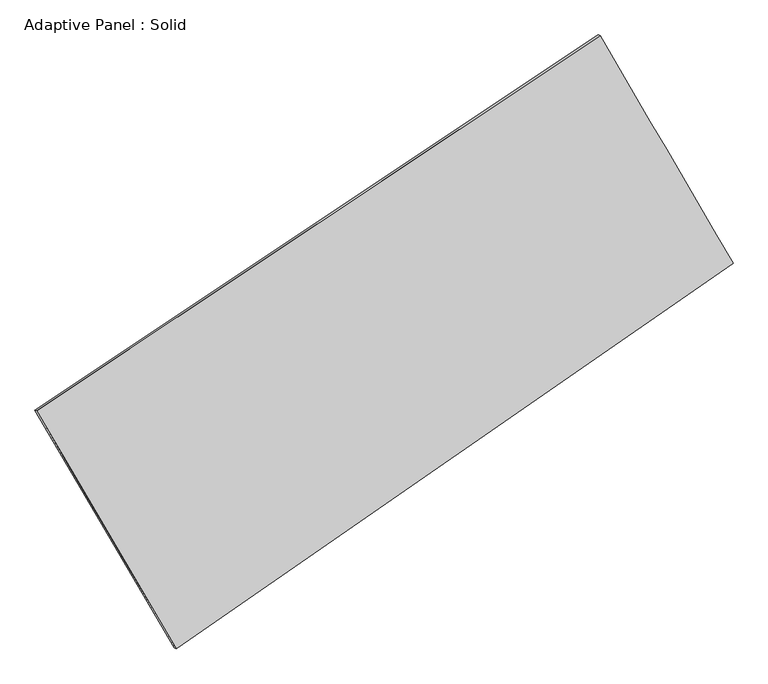
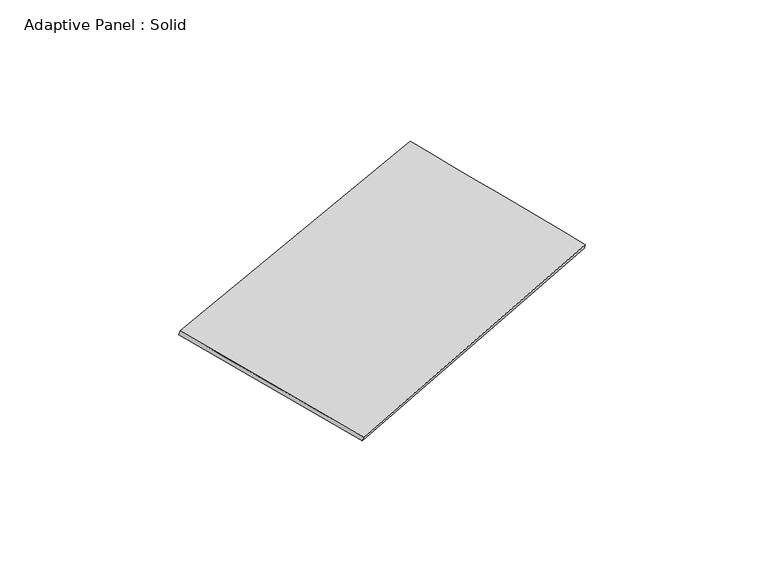
"""IFC4 building model written with IfcOpenShell, lengths in millimetres: plate geometry, Adaptive Panel : Solid."""

import ifcopenshell
import ifcopenshell.guid

model = None  # the IFC model being written
_history = None  # IfcOwnerHistory: only IFC2X3 demands one
_inside = {}  # id of a spatial element -> (the spatial element, [elements in it])
_under = {}  # id of a project, library or spatial element -> (it, [spatial elements below it])
_declared = {}  # id of a project -> (the project, [libraries it declares])
_typed = {}  # id of a type object -> (the type object, [elements of that type])
_made_of = {}  # id of a material, layer set ... -> (it, [elements and type objects made of it])


def new_model(schema):
    """Start an empty IFC model of exactly this schema.

    Asked for "IFC4X3", IfcOpenShell would pick the latest addendum, in which some entities
    have other attributes; the version numbers below select the first issue.
    IFC2X3 requires an IfcOwnerHistory on every rooted entity: one is made here for all.
    """
    global model, _history
    if schema == "IFC4X3":
        model = ifcopenshell.file(schema_version=(4, 3, 0, 0))
    else:
        model = ifcopenshell.file(schema=schema)
    _inside.clear()
    _under.clear()
    _declared.clear()
    _typed.clear()
    _made_of.clear()
    _history = None
    if model.schema == "IFC2X3":
        org = make("IfcOrganization", Name="unknown")
        user = make(
            "IfcPersonAndOrganization",
            ThePerson=make("IfcPerson", FamilyName="unknown"),
            TheOrganization=org,
        )
        app = make(
            "IfcApplication",
            ApplicationDeveloper=org,
            Version="unknown",
            ApplicationFullName="unknown",
            ApplicationIdentifier="unknown",
        )
        _history = make(
            "IfcOwnerHistory",
            OwningUser=user,
            OwningApplication=app,
            ChangeAction="ADDED",
            CreationDate=0,
        )
    return model


def make(cls, **values):
    """One entity of the class cls with the attributes given. An attribute that is None is left unset."""
    return model.create_entity(
        cls, **{name: value for name, value in values.items() if value is not None}
    )


def rooted(cls, **values):
    """An entity with a GlobalId (a new one), such as an element, a storey or a relation."""
    return make(cls, GlobalId=ifcopenshell.guid.new(), OwnerHistory=_history, **values)


def si_unit(unit_type, name, prefix=None):
    """IfcSIUnit, for example si_unit("LENGTHUNIT", "METRE", prefix="MILLI")."""
    return make("IfcSIUnit", UnitType=unit_type, Prefix=prefix, Name=name)


def assignment(units):
    """IfcUnitAssignment: the units of a project."""
    return None if units is None else make("IfcUnitAssignment", Units=units)


def point(xyz):
    """IfcCartesianPoint."""
    return None if xyz is None else make("IfcCartesianPoint", Coordinates=xyz)


def direction(xyz):
    """IfcDirection."""
    return None if xyz is None else make("IfcDirection", DirectionRatios=xyz)


def frame(location, z_axis=None, x_axis=None):
    """IfcAxis2Placement3D, a coordinate frame: its origin and axes. An axis left out is left unset."""
    return make(
        "IfcAxis2Placement3D",
        Location=point(location),
        Axis=direction(z_axis),
        RefDirection=direction(x_axis),
    )


def origin():
    """The frame at (0, 0, 0) with its axes left unset."""
    return frame((0.0, 0.0, 0.0))


def place(relative_to, where):
    """IfcLocalPlacement: puts the frame where relative to a parent placement (None: the world)."""
    return make(
        "IfcLocalPlacement", PlacementRelTo=relative_to, RelativePlacement=where
    )


def context(
    kind, dimensions, precision=None, world=None, true_north=None, identifier=None
):
    """IfcGeometricRepresentationContext, for example the 3D "Model" context."""
    return make(
        "IfcGeometricRepresentationContext",
        ContextIdentifier=identifier,
        ContextType=kind,
        CoordinateSpaceDimension=dimensions,
        Precision=precision,
        WorldCoordinateSystem=world,
        TrueNorth=true_north,
    )


def project(units=None, contexts=None):
    """IfcProject with its units and contexts."""
    return rooted(
        "IfcProject",
        Name="project",
        RepresentationContexts=contexts,
        UnitsInContext=assignment(units),
    )


def spatial(cls, under=None, at=None, **own):
    """A site, building, storey or space (cls), placed at a placement, below another one or the project."""
    s = rooted(cls, ObjectPlacement=at, **own)
    if under is not None:
        _under.setdefault(under.id(), (under, []))[1].append(s)
    return s


def shape(context_of_items, identifier, shape_type, items):
    """IfcShapeRepresentation: the items that make up one representation, for example the "Body"."""
    return make(
        "IfcShapeRepresentation",
        ContextOfItems=context_of_items,
        RepresentationIdentifier=identifier,
        RepresentationType=shape_type,
        Items=items,
    )


def source(mapping_origin, context_of_items, identifier, shape_type, items):
    """IfcRepresentationMap: a shape defined once, which mapped items show again and again."""
    return make(
        "IfcRepresentationMap",
        MappingOrigin=mapping_origin,
        MappedRepresentation=shape(context_of_items, identifier, shape_type, items),
    )


def transform(
    local_origin,
    x_axis=None,
    y_axis=None,
    z_axis=None,
    scale=None,
    scale2=None,
    scale3=None,
    uniform=True,
):
    """IfcCartesianTransformationOperator3D, or its non-uniform kind. x_axis, y_axis, z_axis: its Axis1, 2, 3."""
    if uniform:
        return make(
            "IfcCartesianTransformationOperator3D",
            Axis1=direction(x_axis),
            Axis2=direction(y_axis),
            LocalOrigin=point(local_origin),
            Scale=scale,
            Axis3=direction(z_axis),
        )
    return make(
        "IfcCartesianTransformationOperator3DnonUniform",
        Axis1=direction(x_axis),
        Axis2=direction(y_axis),
        LocalOrigin=point(local_origin),
        Scale=scale,
        Axis3=direction(z_axis),
        Scale2=scale2,
        Scale3=scale3,
    )


def mapped(mapping_source, mapping_target):
    """IfcMappedItem: shows the shape of a source again, moved by a transform."""
    return make(
        "IfcMappedItem", MappingSource=mapping_source, MappingTarget=mapping_target
    )


def made_of(thing, what):
    """Note that an element or type object is made of a material, layer set ...; save() writes the relation."""
    if what is not None:
        _made_of.setdefault(what.id(), (what, []))[1].append(thing)
    return thing


def element(
    cls,
    number,
    at=None,
    inside=None,
    cuts=None,
    type_object=None,
    material=None,
    context=None,
    identifier="Body",
    shape_type=None,
    held_by="IfcProductDefinitionShape",
    body=None,
    shapes=None,
    **own,
):
    """One element of the class cls, such as IfcWall. Its Tag is "e" and its number.

    at: its placement. inside: the storey or other place that contains it. cuts: it is an
    opening in that element (IfcRelVoidsElement). A single representation is given by context,
    identifier, shape_type and body (its items); several are given by shapes. held_by: the class
    of the entity that holds the representations. save() writes the other relations.
    """
    e = rooted(cls, Tag="e%d" % number, ObjectPlacement=at, **own)
    if body is not None:
        shapes = [shape(context, identifier, shape_type, body)]
    if shapes is not None:
        e.Representation = make(held_by, Representations=shapes)
    if inside is not None:
        _inside.setdefault(inside.id(), (inside, []))[1].append(e)
    if cuts is not None:
        rooted(
            "IfcRelVoidsElement", RelatingBuildingElement=cuts, RelatedOpeningElement=e
        )
    if type_object is not None:
        _typed.setdefault(type_object.id(), (type_object, []))[1].append(e)
    return made_of(e, material)


def aggregate(whole, parts):
    """IfcRelAggregates: a whole, such as a stair, and the parts it consists of."""
    return rooted("IfcRelAggregates", RelatingObject=whole, RelatedObjects=parts)


def save(model, path):
    """Write the relations noted so far, then the file.

    IfcRelAggregates (storeys below a building ...), IfcRelContainedInSpatialStructure (elements
    in a storey), IfcRelDefinesByType, IfcRelAssociatesMaterial and IfcRelDeclares: one each for
    every whole, place, type object, material and project.
    """
    for whole, parts in _under.values():
        aggregate(whole, parts)
    for where, things in _inside.values():
        rooted(
            "IfcRelContainedInSpatialStructure",
            RelatedElements=things,
            RelatingStructure=where,
        )
    for kind, things in _typed.values():
        rooted("IfcRelDefinesByType", RelatedObjects=things, RelatingType=kind)
    for what, things in _made_of.values():
        rooted("IfcRelAssociatesMaterial", RelatedObjects=things, RelatingMaterial=what)
    for by, libraries in _declared.values():
        rooted("IfcRelDeclares", RelatingContext=by, RelatedDefinitions=libraries)
    model.write(path)


def plane_surface(at):
    """IfcPlane: the flat surface through the origin of the frame at, square to its z axis."""
    return make("IfcPlane", Position=at)


def spline_surface(u_degree, v_degree, points, u_multiplicities, v_multiplicities, u_knots, v_knots, weights=None):
    """IfcBSplineSurfaceWithKnots; with weights, IfcRationalBSplineSurfaceWithKnots. points: one row for each step in u."""
    own = dict(
        UDegree=u_degree,
        VDegree=v_degree,
        ControlPointsList=[[point(p) for p in row] for row in points],
        SurfaceForm="UNSPECIFIED",
        UClosed=False,
        VClosed=False,
        SelfIntersect=False,
        UMultiplicities=u_multiplicities,
        VMultiplicities=v_multiplicities,
        UKnots=u_knots,
        VKnots=v_knots,
        KnotSpec="UNSPECIFIED",
    )
    if weights is None:
        return make("IfcBSplineSurfaceWithKnots", **own)
    return make("IfcRationalBSplineSurfaceWithKnots", WeightsData=weights, **own)


def advanced_brep(points, edges, surfaces, faces):
    """IfcAdvancedBrep: a solid bounded by faces that lie on surfaces and meet in shared edges.

    An edge is (start, end): straight between two places in points (the first is 0);
    or (start, end, curve); or (start, end, curve, False) where it runs against its curve.
    A face is (place in surfaces, loops), or (place, loops, False) where it looks against
    its surface's normal. A loop lists edges by number (the first is 1), with a minus sign
    where the edge is run from its end to its start. The first loop is the outer one.
    """
    corners = [point(p) for p in points]
    vertices = [make("IfcVertexPoint", VertexGeometry=c) for c in corners]
    made = []
    for start, end, *more in edges:
        made.append(
            make(
                "IfcEdgeCurve",
                EdgeStart=vertices[start],
                EdgeEnd=vertices[end],
                EdgeGeometry=more[0] if more else make("IfcPolyline", Points=[corners[start], corners[end]]),
                SameSense=more[1] if len(more) > 1 else True,
            )
        )
    hull = []
    for where, loops, *sense in faces:
        bounds = []
        for j, loop in enumerate(loops):
            ring = [make("IfcOrientedEdge", EdgeElement=made[abs(k) - 1], Orientation=k > 0) for k in loop]
            bounds.append(
                make(
                    "IfcFaceOuterBound" if j == 0 else "IfcFaceBound",
                    Bound=make("IfcEdgeLoop", EdgeList=ring),
                    Orientation=True,
                )
            )
        hull.append(make("IfcAdvancedFace", Bounds=bounds, FaceSurface=surfaces[where], SameSense=sense[0] if sense else True))
    return make("IfcAdvancedBrep", Outer=make("IfcClosedShell", CfsFaces=hull))


def adaptive_panel_solid_9f0f6917(model_context):
    return source(origin(), model_context, "Body", "AdvancedBrep", [
        advanced_brep(
        [(1175.7383394, 2498.7702941, 661.6155423), (-3641.9671703, -710.0297562, 1709.5900389), (-3627.3008145, -716.4098497, 1756.9629469), (1190.4046953, 2492.3902006, 708.9884503), (-2449.8302844, -2742.227694, 1077.9809094), (-2435.1639286, -2748.6077874, 1125.3538174), (2312.7685372, 553.2385833, 35.9360297), (2327.434893, 546.8584898, 83.3089377)],
        [
            (0, 1),
            (1, 2),
            (2, 3),
            (3, 0),
            (1, 4),
            (4, 5),
            (5, 2),
            (4, 6),
            (6, 7),
            (7, 5),
            (6, 0),
            (3, 7),
        ],
        [
            plane_surface(frame((-1233.1144154, 894.3702689, 1185.6027906), z_axis=(-0.49408207384214775, 0.8282027225791514, 0.26450549071866936), x_axis=(-0.8189761085420759, -0.5454734775685344, 0.17814830593235437))),
            plane_surface(frame((-3045.8987274, -1726.1287251, 1393.7854741), z_axis=(-0.8223980613607182, -0.5390096709572915, 0.18201649179303703), x_axis=(0.4887305729594998, -0.8331235064133345, -0.2589356099809943))),
            plane_surface(frame((-68.5308736, -1094.4945553, 556.9584695), z_axis=(0.507997794295028, -0.8187550811786666, -0.26754132023951327), x_axis=(0.8093351366733199, 0.5600170725729594, -0.1770805324500449))),
            plane_surface(frame((1744.2534383, 1526.0044387, 348.775786), z_axis=(0.8223323932490127, 0.5391218131832871, -0.18198105825419308), x_axis=(-0.48618539809312683, 0.8318944485466329, 0.26753576426026027))),
            spline_surface(1, 1, [[(-3627.3008145, -716.4098497, 1756.9629469), (1190.4046953, 2492.3902006, 708.9884503)], [(-2435.1639286, -2748.6077874, 1125.3538174), (2327.434893, 546.8584898, 83.3089377)]], [2, 2], [2, 2], [0.0, 1.0], [0.0, 1.0]),
            spline_surface(1, 1, [[(2312.7685372, 553.2385833, 35.9360297), (1175.7383394, 2498.7702941, 661.6155423)], [(-2449.8302844, -2742.227694, 1077.9809094), (-3641.9671703, -710.0297562, 1709.5900389)]], [2, 2], [2, 2], [0.0, 1.0], [0.0, 1.0]),
        ],
        [
            (0, [[1, 2, 3, 4]]),
            (1, [[5, 6, 7, -2]]),
            (2, [[8, 9, 10, -6]]),
            (3, [[11, -4, 12, -9]]),
            (4, [[-3, -7, -10, -12]]),
            (5, [[-11, -8, -5, -1]]),
        ],
    ),
    ])


if __name__ == "__main__":
    model = new_model("IFC4")
    model_context = context("Model", 3, world=origin())
    ifc_project = project(units=[si_unit("LENGTHUNIT", "METRE", prefix="MILLI")], contexts=[model_context])
    site = spatial("IfcSite", under=ifc_project)
    building = spatial("IfcBuilding", under=site)
    placement = place(None, origin())
    adaptive_panel_solid_shape = adaptive_panel_solid_9f0f6917(model_context)
    element("IfcPlate", 1, ObjectType="Adaptive Panel : Solid", at=placement, inside=building, context=model_context, shape_type="MappedRepresentation", body=[
        mapped(adaptive_panel_solid_shape, transform((0.0, 0.0, 0.0), x_axis=(1.0, 0.0, 0.0), y_axis=(0.0, 1.0, 0.0), z_axis=(0.0, 0.0, 1.0))),
    ])
    save(model, "model.ifc")
